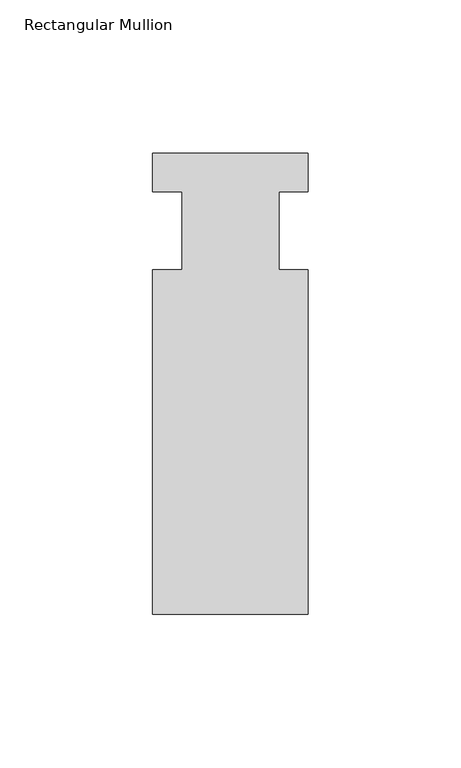
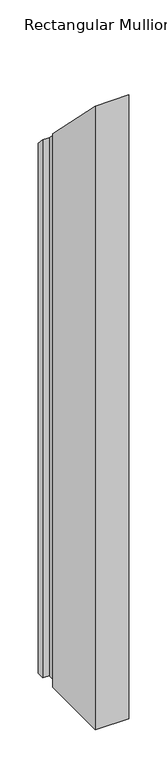
"""IFC4 building model written with IfcOpenShell, lengths in millimetres: member geometry, Rectangular Mullion."""

import ifcopenshell
import ifcopenshell.guid

model = None  # the IFC model being written
_history = None  # IfcOwnerHistory: only IFC2X3 demands one
_inside = {}  # id of a spatial element -> (the spatial element, [elements in it])
_under = {}  # id of a project, library or spatial element -> (it, [spatial elements below it])
_declared = {}  # id of a project -> (the project, [libraries it declares])
_typed = {}  # id of a type object -> (the type object, [elements of that type])
_made_of = {}  # id of a material, layer set ... -> (it, [elements and type objects made of it])


def new_model(schema):
    """Start an empty IFC model of exactly this schema.

    Asked for "IFC4X3", IfcOpenShell would pick the latest addendum, in which some entities
    have other attributes; the version numbers below select the first issue.
    IFC2X3 requires an IfcOwnerHistory on every rooted entity: one is made here for all.
    """
    global model, _history
    if schema == "IFC4X3":
        model = ifcopenshell.file(schema_version=(4, 3, 0, 0))
    else:
        model = ifcopenshell.file(schema=schema)
    _inside.clear()
    _under.clear()
    _declared.clear()
    _typed.clear()
    _made_of.clear()
    _history = None
    if model.schema == "IFC2X3":
        org = make("IfcOrganization", Name="unknown")
        user = make(
            "IfcPersonAndOrganization",
            ThePerson=make("IfcPerson", FamilyName="unknown"),
            TheOrganization=org,
        )
        app = make(
            "IfcApplication",
            ApplicationDeveloper=org,
            Version="unknown",
            ApplicationFullName="unknown",
            ApplicationIdentifier="unknown",
        )
        _history = make(
            "IfcOwnerHistory",
            OwningUser=user,
            OwningApplication=app,
            ChangeAction="ADDED",
            CreationDate=0,
        )
    return model


def make(cls, **values):
    """One entity of the class cls with the attributes given. An attribute that is None is left unset."""
    return model.create_entity(
        cls, **{name: value for name, value in values.items() if value is not None}
    )


def rooted(cls, **values):
    """An entity with a GlobalId (a new one), such as an element, a storey or a relation."""
    return make(cls, GlobalId=ifcopenshell.guid.new(), OwnerHistory=_history, **values)


def si_unit(unit_type, name, prefix=None):
    """IfcSIUnit, for example si_unit("LENGTHUNIT", "METRE", prefix="MILLI")."""
    return make("IfcSIUnit", UnitType=unit_type, Prefix=prefix, Name=name)


def assignment(units):
    """IfcUnitAssignment: the units of a project."""
    return None if units is None else make("IfcUnitAssignment", Units=units)


def point(xyz):
    """IfcCartesianPoint."""
    return None if xyz is None else make("IfcCartesianPoint", Coordinates=xyz)


def direction(xyz):
    """IfcDirection."""
    return None if xyz is None else make("IfcDirection", DirectionRatios=xyz)


def frame(location, z_axis=None, x_axis=None):
    """IfcAxis2Placement3D, a coordinate frame: its origin and axes. An axis left out is left unset."""
    return make(
        "IfcAxis2Placement3D",
        Location=point(location),
        Axis=direction(z_axis),
        RefDirection=direction(x_axis),
    )


def origin():
    """The frame at (0, 0, 0) with its axes left unset."""
    return frame((0.0, 0.0, 0.0))


def place(relative_to, where):
    """IfcLocalPlacement: puts the frame where relative to a parent placement (None: the world)."""
    return make(
        "IfcLocalPlacement", PlacementRelTo=relative_to, RelativePlacement=where
    )


def context(
    kind, dimensions, precision=None, world=None, true_north=None, identifier=None
):
    """IfcGeometricRepresentationContext, for example the 3D "Model" context."""
    return make(
        "IfcGeometricRepresentationContext",
        ContextIdentifier=identifier,
        ContextType=kind,
        CoordinateSpaceDimension=dimensions,
        Precision=precision,
        WorldCoordinateSystem=world,
        TrueNorth=true_north,
    )


def project(units=None, contexts=None):
    """IfcProject with its units and contexts."""
    return rooted(
        "IfcProject",
        Name="project",
        RepresentationContexts=contexts,
        UnitsInContext=assignment(units),
    )


def spatial(cls, under=None, at=None, **own):
    """A site, building, storey or space (cls), placed at a placement, below another one or the project."""
    s = rooted(cls, ObjectPlacement=at, **own)
    if under is not None:
        _under.setdefault(under.id(), (under, []))[1].append(s)
    return s


def faces_of(points, faces, orient=None, outer=None):
    """IfcFace entities. A face is a list of loops; a loop is a list of indices into points, from 0.

    orient and outer hold one flag for each loop. By default every Orientation is true, the
    first loop of a face is its IfcFaceOuterBound and the others are IfcFaceBound.
    """
    made = []
    for i, loops in enumerate(faces):
        bounds = []
        for j, loop in enumerate(loops):
            is_outer = j == 0 if outer is None else outer[i][j]
            bounds.append(
                make(
                    "IfcFaceOuterBound" if is_outer else "IfcFaceBound",
                    Bound=make("IfcPolyLoop", Polygon=[points[k] for k in loop]),
                    Orientation=True if orient is None else orient[i][j],
                )
            )
        made.append(make("IfcFace", Bounds=bounds))
    return made


def faceted_brep(points, faces, orient=None, outer=None, voids=None):
    """IfcFacetedBrep: a solid bounded by flat faces; with voids (closed shells), ...WithVoids."""
    shared = [point(p) for p in points]
    hull = make("IfcClosedShell", CfsFaces=faces_of(shared, faces, orient, outer))
    if voids is None:
        return make("IfcFacetedBrep", Outer=hull)
    return make(
        "IfcFacetedBrepWithVoids",
        Outer=hull,
        Voids=[
            make(cls, CfsFaces=faces_of(shared, fs, o, b)) for cls, fs, o, b in voids
        ],
    )


def shape(context_of_items, identifier, shape_type, items):
    """IfcShapeRepresentation: the items that make up one representation, for example the "Body"."""
    return make(
        "IfcShapeRepresentation",
        ContextOfItems=context_of_items,
        RepresentationIdentifier=identifier,
        RepresentationType=shape_type,
        Items=items,
    )


def source(mapping_origin, context_of_items, identifier, shape_type, items):
    """IfcRepresentationMap: a shape defined once, which mapped items show again and again."""
    return make(
        "IfcRepresentationMap",
        MappingOrigin=mapping_origin,
        MappedRepresentation=shape(context_of_items, identifier, shape_type, items),
    )


def transform(
    local_origin,
    x_axis=None,
    y_axis=None,
    z_axis=None,
    scale=None,
    scale2=None,
    scale3=None,
    uniform=True,
):
    """IfcCartesianTransformationOperator3D, or its non-uniform kind. x_axis, y_axis, z_axis: its Axis1, 2, 3."""
    if uniform:
        return make(
            "IfcCartesianTransformationOperator3D",
            Axis1=direction(x_axis),
            Axis2=direction(y_axis),
            LocalOrigin=point(local_origin),
            Scale=scale,
            Axis3=direction(z_axis),
        )
    return make(
        "IfcCartesianTransformationOperator3DnonUniform",
        Axis1=direction(x_axis),
        Axis2=direction(y_axis),
        LocalOrigin=point(local_origin),
        Scale=scale,
        Axis3=direction(z_axis),
        Scale2=scale2,
        Scale3=scale3,
    )


def mapped(mapping_source, mapping_target):
    """IfcMappedItem: shows the shape of a source again, moved by a transform."""
    return make(
        "IfcMappedItem", MappingSource=mapping_source, MappingTarget=mapping_target
    )


def made_of(thing, what):
    """Note that an element or type object is made of a material, layer set ...; save() writes the relation."""
    if what is not None:
        _made_of.setdefault(what.id(), (what, []))[1].append(thing)
    return thing


def element(
    cls,
    number,
    at=None,
    inside=None,
    cuts=None,
    type_object=None,
    material=None,
    context=None,
    identifier="Body",
    shape_type=None,
    held_by="IfcProductDefinitionShape",
    body=None,
    shapes=None,
    **own,
):
    """One element of the class cls, such as IfcWall. Its Tag is "e" and its number.

    at: its placement. inside: the storey or other place that contains it. cuts: it is an
    opening in that element (IfcRelVoidsElement). A single representation is given by context,
    identifier, shape_type and body (its items); several are given by shapes. held_by: the class
    of the entity that holds the representations. save() writes the other relations.
    """
    e = rooted(cls, Tag="e%d" % number, ObjectPlacement=at, **own)
    if body is not None:
        shapes = [shape(context, identifier, shape_type, body)]
    if shapes is not None:
        e.Representation = make(held_by, Representations=shapes)
    if inside is not None:
        _inside.setdefault(inside.id(), (inside, []))[1].append(e)
    if cuts is not None:
        rooted(
            "IfcRelVoidsElement", RelatingBuildingElement=cuts, RelatedOpeningElement=e
        )
    if type_object is not None:
        _typed.setdefault(type_object.id(), (type_object, []))[1].append(e)
    return made_of(e, material)


def aggregate(whole, parts):
    """IfcRelAggregates: a whole, such as a stair, and the parts it consists of."""
    return rooted("IfcRelAggregates", RelatingObject=whole, RelatedObjects=parts)


def save(model, path):
    """Write the relations noted so far, then the file.

    IfcRelAggregates (storeys below a building ...), IfcRelContainedInSpatialStructure (elements
    in a storey), IfcRelDefinesByType, IfcRelAssociatesMaterial and IfcRelDeclares: one each for
    every whole, place, type object, material and project.
    """
    for whole, parts in _under.values():
        aggregate(whole, parts)
    for where, things in _inside.values():
        rooted(
            "IfcRelContainedInSpatialStructure",
            RelatedElements=things,
            RelatingStructure=where,
        )
    for kind, things in _typed.values():
        rooted("IfcRelDefinesByType", RelatedObjects=things, RelatingType=kind)
    for what, things in _made_of.values():
        rooted("IfcRelAssociatesMaterial", RelatedObjects=things, RelatingMaterial=what)
    for by, libraries in _declared.values():
        rooted("IfcRelDeclares", RelatingContext=by, RelatedDefinitions=libraries)
    model.write(path)


def rectangular_mullion_f350e01c(model_context):
    return source(origin(), model_context, "Body", "Brep", [
        faceted_brep([(25.4, -138.1125, -863.6), (-25.4, -138.1125, -863.6), (-25.4, -25.4, -863.6), (-15.875, -25.4, -863.6), (-15.875, 0.0, -863.6), (-25.4, 0.0, -863.6), (-25.4, 12.7, -863.6), (25.4, 12.7, -863.6), (25.4, 0.0, -863.6), (15.875, 0.0, -863.6), (15.875, -25.4, -863.6), (25.4, -25.4, -863.6), (25.4, -25.4, 25.4), (25.4, -138.1125, 138.1125), (15.875, -25.4, 25.4), (15.875, 0.0, 0.0), (25.4, 0.0, 0.0), (25.4, 12.7, -12.7), (-25.4, 12.7, -12.7), (-25.4, 0.0, 0.0), (-15.875, 0.0, 0.0), (-15.875, -25.4, 25.4), (-25.4, -25.4, 25.4), (-25.4, -138.1125, 138.1125)], [[[0, 1, 2, 3, 4, 5, 6, 7, 8, 9, 10, 11]], [[12, 13, 0, 11]], [[14, 12, 11, 10]], [[15, 14, 10, 9]], [[16, 15, 9, 8]], [[17, 16, 8, 7]], [[18, 17, 7, 6]], [[19, 18, 6, 5]], [[20, 19, 5, 4]], [[21, 20, 4, 3]], [[22, 21, 3, 2]], [[23, 22, 2, 1]], [[13, 23, 1, 0]], [[13, 12, 14, 15, 16, 17, 18, 19, 20, 21, 22, 23]]]),
    ])


if __name__ == "__main__":
    model = new_model("IFC4")
    model_context = context("Model", 3, world=origin())
    ifc_project = project(units=[si_unit("LENGTHUNIT", "METRE", prefix="MILLI")], contexts=[model_context])
    site = spatial("IfcSite", under=ifc_project)
    building = spatial("IfcBuilding", under=site)
    placement = place(None, origin())
    rectangular_mullion_shape = rectangular_mullion_f350e01c(model_context)
    element("IfcMember", 1, ObjectType="Rectangular Mullion", at=placement, inside=building, context=model_context, shape_type="MappedRepresentation", body=[
        mapped(rectangular_mullion_shape, transform((0.0, 0.0, 0.0), x_axis=(1.0, 0.0, 0.0), y_axis=(0.0, 1.0, 0.0), z_axis=(0.0, 0.0, 1.0))),
    ])
    save(model, "model.ifc")
